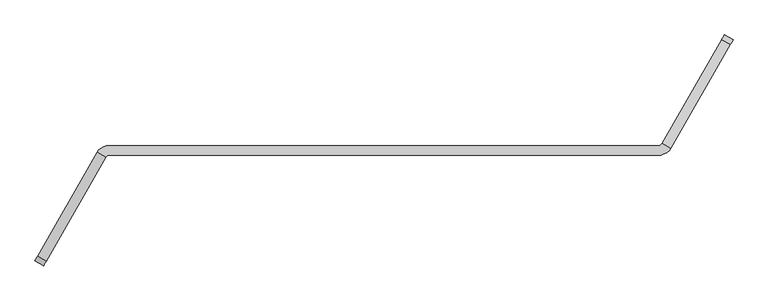
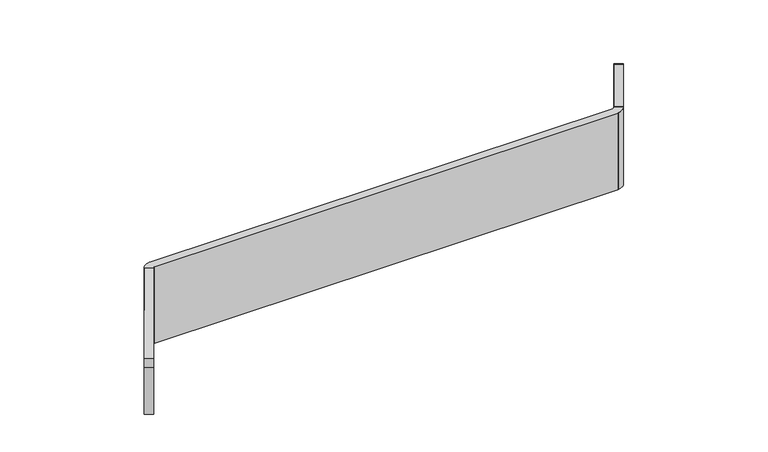
"""IFC4 building model written with IfcOpenShell, lengths in millimetres: furniture geometry."""

from ifc_helpers import new_model, si_unit, point, frame, frame_2d, origin, place, context, project, spatial, polyline, circle_curve, trimmed, segment, composite_curve, outline, extrude, source, transform, mapped, element, save


def furniture_8070536f(model_context):
    return source(origin(), model_context, "Body", "SweptSolid", [
        extrude(outline(composite_curve([segment(polyline([(24.6357364, 31.5838899), (133.6777992, -402.8241508), (-216.3716244, -402.8241508), (-216.3716244, 50.8), (0.0, 50.8)]), True, "CONTINUOUS"), segment(trimmed(circle_curve(frame_2d((0.0, 25.4)), 25.4), [point((0.0, 50.8))], [point((24.6357364, 31.5838899))], False, "CARTESIAN"), True, "CONTINUOUS")], self_intersect=False)), frame((1811.6769324, 401.2643254, 968.8466244), z_axis=(-0.867040765573189, 0.4982372033823431, 0.0), x_axis=(0.0, 0.0, 1.0)), (0.0, 0.0, 1.0), 35.9627605),
        extrude(outline(composite_curve([segment(trimmed(circle_curve(frame_2d((0.0, 25.4)), 25.4), [point((-24.6357364, 31.5838899))], [point((0.0, 50.8))], False, "CARTESIAN"), True, "CONTINUOUS"), segment(polyline([(0.0, 50.8), (216.3716244, 50.8), (216.3716244, -402.8241508), (-133.6777992, -402.8241508), (-24.6357364, 31.5838899)]), True, "CONTINUOUS")], self_intersect=False)), frame((-639.5086452, -329.8459345, 968.8466244), z_axis=(-0.8670407655731922, 0.4982372033823375, 0.0), x_axis=(0.0, 0.0, -1.0)), (0.0, 0.0, 1.0), 35.9627605),
        extrude(outline(composite_curve([segment(trimmed(circle_curve(frame_2d((1566.2326319, 76.4062786)), 15.0353716), [point((1570.4073623, 61.9621094))], [point((1579.7952673, 69.9164928))], True, "CARTESIAN"), True, "CONTINUOUS"), segment(polyline([(1579.7952673, 69.9164928), (1610.9359467, 52.0217805)]), True, "CONTINUOUS"), segment(trimmed(circle_curve(frame_2d((1567.4577624, 76.8802718)), 50.0829023), [point((1610.9359467, 52.0217805))], [point((1578.2224902, 27.9679243))], False, "CARTESIAN"), True, "CONTINUOUS"), segment(trimmed(circle_curve(frame_2d((1572.7630604, 52.7742667)), 25.4), [point((1578.2224902, 27.9679243))], [point((1572.7630604, 27.3742667))], False, "CARTESIAN"), True, "CONTINUOUS"), segment(polyline([(1572.7630604, 27.3742667), (-429.4202545, 27.3742667)]), True, "CONTINUOUS"), segment(trimmed(circle_curve(frame_2d((-425.2455241, 12.9300975)), 15.0353716), [point((-429.4202545, 27.3742667))], [point((-438.8081595, 19.4198833))], True, "CARTESIAN"), True, "CONTINUOUS"), segment(polyline([(-438.8081595, 19.4198833), (-469.948839, 37.3145956)]), True, "CONTINUOUS"), segment(trimmed(circle_curve(frame_2d((-426.4706546, 12.4561043)), 50.0829023), [point((-469.948839, 37.3145956))], [point((-437.2353824, 61.3684518))], False, "CARTESIAN"), True, "CONTINUOUS"), segment(trimmed(circle_curve(frame_2d((-431.7759527, 36.5621094)), 25.4), [point((-437.2353824, 61.3684518))], [point((-431.7759527, 61.9621094))], False, "CARTESIAN"), True, "CONTINUOUS"), segment(polyline([(-431.7759527, 61.9621094), (1570.4073623, 61.9621094)]), True, "CONTINUOUS")], self_intersect=False)), frame((0.0, 0.0, 752.475), z_axis=(0.0, 0.0, 1.0), x_axis=(1.0, 0.0, 0.0)), (0.0, 0.0, 1.0), 350.04375),
    ])


if __name__ == "__main__":
    model = new_model("IFC4")
    model_context = context("Model", 3, world=origin())
    ifc_project = project(units=[si_unit("LENGTHUNIT", "METRE", prefix="MILLI")], contexts=[model_context])
    site = spatial("IfcSite", under=ifc_project)
    building = spatial("IfcBuilding", under=site)
    placement = place(None, origin())
    furniture_shape = furniture_8070536f(model_context)
    element("IfcFurniture", 1, at=placement, inside=building, context=model_context, shape_type="MappedRepresentation", body=[
        mapped(furniture_shape, transform((0.0, 0.0, 0.0), x_axis=(1.0, 0.0, 0.0), y_axis=(0.0, 1.0, 0.0), z_axis=(0.0, 0.0, 1.0))),
    ])
    save(model, "model.ifc")
